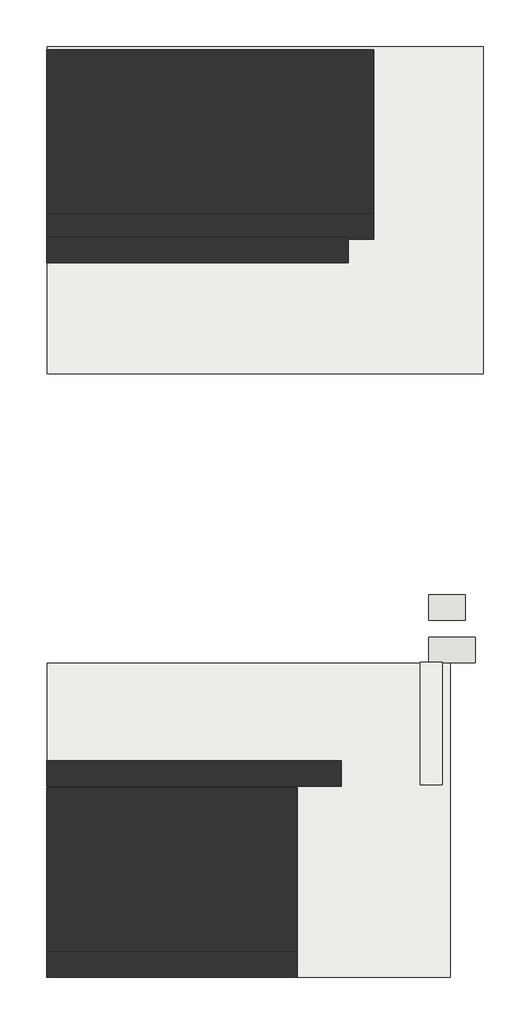
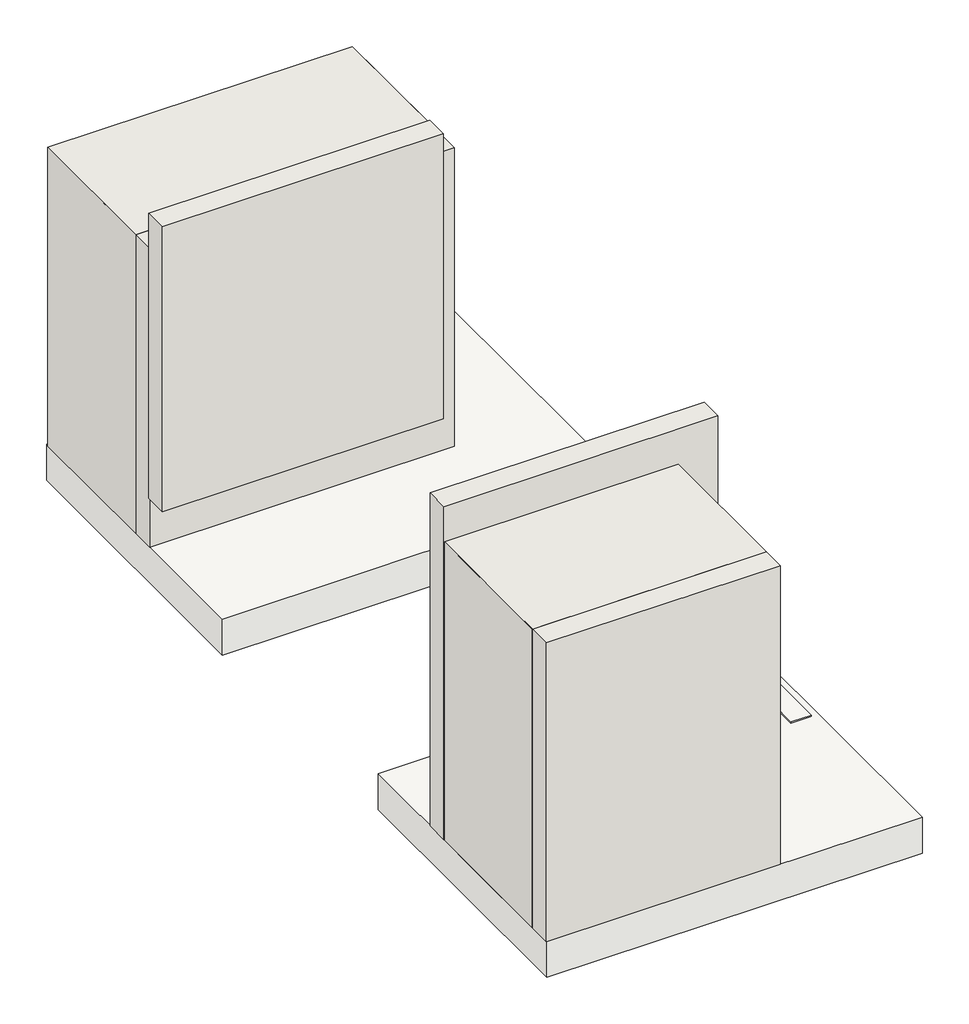
# One storey: 8 walls, 2 slabs, 1 covering.
"""IFC4 building model written with IfcOpenShell, lengths in millimetres."""

from ifc_helpers import new_model, si_unit, frame, origin, place, context, project, spatial, polyline, outline, extrude, element, save

model = new_model("IFC4")

# Units and contexts
model_context = context("Model", 3, world=origin())
ifc_project = project(units=[si_unit("LENGTHUNIT", "METRE", prefix="MILLI")], contexts=[model_context])

# Site, building, storey
site = spatial("IfcSite", under=ifc_project)
building = spatial("IfcBuilding", under=site)
storey = spatial("IfcBuildingStorey", under=building, Elevation=-300.0)

# Covering
placement = place(None, origin())
element("IfcCovering", 1, at=placement, inside=storey, context=model_context, shape_type="SweptSolid", body=[
    extrude(outline(polyline([(-14888.0829858, -217.367479), (-14888.0829858, -891.0163036), (-15008.0829858, -891.0163036), (-15008.0829858, -217.367479), (-14888.0829858, -217.367479)])), frame((0.0, 0.0, 3.0), z_axis=(0.0, 0.0, 1.0), x_axis=(1.0, 0.0, 0.0)), (0.0, 0.0, 1.0), 57.0),
])

# Slabs
element("IfcSlab", 2, at=placement, inside=storey, context=model_context, shape_type="SweptSolid", body=[
    extrude(outline(polyline([(-17060.7481616, -224.6756603), (-14843.9696732, -224.6756603), (-14843.9696732, -1951.918199), (-17060.7481616, -1951.918199), (-17060.7481616, -224.6756603)])), frame((0.0, 0.0, -175.0), z_axis=(0.0, 0.0, 1.0), x_axis=(1.0, 0.0, 0.0)), (0.0, 0.0, 1.0), 225.0),
])
element("IfcSlab", 3, at=placement, inside=storey, context=model_context, shape_type="SweptSolid", body=[
    extrude(outline(polyline([(-17060.7481616, 3168.640697), (-14660.7481616, 3168.640697), (-14660.7481616, 1368.640697), (-17060.7481616, 1368.640697), (-17060.7481616, 3168.640697)])), frame((0.0, 0.0, -175.0), z_axis=(0.0, 0.0, 1.0), x_axis=(1.0, 0.0, 0.0)), (0.0, 0.0, 1.0), 225.0),
])

# Walls
element("IfcWall", 4, at=placement, inside=storey, context=model_context, shape_type="SweptSolid", body=[
    extrude(outline(polyline([(-17063.9696732, -761.0163036), (-15443.9696732, -761.0163036), (-15443.9696732, -901.0163036), (-17063.9696732, -901.0163036), (-17063.9696732, -761.0163036)])), frame((0.0, 0.0, 50.0), z_axis=(0.0, 0.0, 1.0), x_axis=(1.0, 0.0, 0.0)), (0.0, 0.0, 1.0), 2080.0),
])
element("IfcWall", 5, at=placement, inside=storey, context=model_context, shape_type="SweptSolid", body=[
    extrude(outline(polyline([(-17063.9696732, 2118.9836964), (-15403.9696732, 2118.9836964), (-15403.9696732, 1978.9836964), (-17063.9696732, 1978.9836964), (-17063.9696732, 2118.9836964)])), frame((0.0, 0.0, 350.0), z_axis=(0.0, 0.0, 1.0), x_axis=(1.0, 0.0, 0.0)), (0.0, 0.0, 1.0), 1780.0),
])
element("IfcWall", 6, at=placement, inside=storey, context=model_context, shape_type="SweptSolid", body=[
    extrude(outline(polyline([(-14960.7481616, -79.9045197), (-14705.7481616, -79.9045197), (-14705.7481616, -219.9045197), (-14960.7481616, -219.9045197), (-14960.7481616, -79.9045197)])), frame((0.0, 0.0, -177.8647683), z_axis=(0.0, 0.0, 1.0), x_axis=(1.0, 0.0, 0.0)), (0.0, 0.0, 1.0), 207.8647683),
])
element("IfcWall", 7, at=placement, inside=storey, context=model_context, shape_type="SweptSolid", body=[
    extrude(outline(polyline([(-14960.7481616, 151.9796777), (-14760.7481616, 151.9796777), (-14760.7481616, 11.9796777), (-14960.7481616, 11.9796777), (-14960.7481616, 151.9796777)])), frame((0.0, 0.0, -177.8647683), z_axis=(0.0, 0.0, 1.0), x_axis=(1.0, 0.0, 0.0)), (0.0, 0.0, 1.0), 212.8647683),
])
element("IfcWall", 8, at=placement, inside=storey, context=model_context, shape_type="SweptSolid", body=[
    extrude(outline(polyline([(-17063.9696732, 3151.9796777), (-15263.9696732, 3151.9796777), (-15263.9696732, 2251.9796777), (-17063.9696732, 2251.9796777), (-17063.9696732, 3151.9796777)])), frame((0.0, 0.0, 50.0), z_axis=(0.0, 0.0, 1.0), x_axis=(1.0, 0.0, 0.0)), (0.0, 0.0, 1.0), 1865.0),
])
element("IfcWall", 9, at=placement, inside=storey, context=model_context, shape_type="SweptSolid", body=[
    extrude(outline(polyline([(-17063.9696732, 3008.9836964), (-15263.9696732, 3008.9836964), (-15263.9696732, 2108.9836964), (-17063.9696732, 2108.9836964), (-17063.9696732, 3008.9836964)])), frame((0.0, 0.0, 50.0), z_axis=(0.0, 0.0, 1.0), x_axis=(1.0, 0.0, 0.0)), (0.0, 0.0, 1.0), 1865.0),
])
element("IfcWall", 10, at=placement, inside=storey, context=model_context, shape_type="SweptSolid", body=[
    extrude(outline(polyline([(-17063.9696732, -908.9222178), (-15683.9696732, -908.9222178), (-15683.9696732, -1808.9222178), (-17063.9696732, -1808.9222178), (-17063.9696732, -908.9222178)])), frame((0.0, 0.0, 50.0), z_axis=(0.0, 0.0, 1.0), x_axis=(1.0, 0.0, 0.0)), (0.0, 0.0, 1.0), 1865.0),
])
element("IfcWall", 11, at=placement, inside=storey, context=model_context, shape_type="SweptSolid", body=[
    extrude(outline(polyline([(-17063.9696732, -1051.918199), (-15683.9696732, -1051.918199), (-15683.9696732, -1951.918199), (-17063.9696732, -1951.918199), (-17063.9696732, -1051.918199)])), frame((0.0, 0.0, 50.0), z_axis=(0.0, 0.0, 1.0), x_axis=(1.0, 0.0, 0.0)), (0.0, 0.0, 1.0), 1865.0),
])

save(model, "model.ifc")
